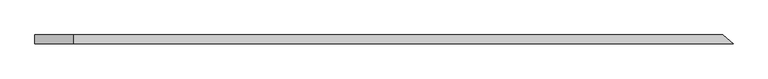
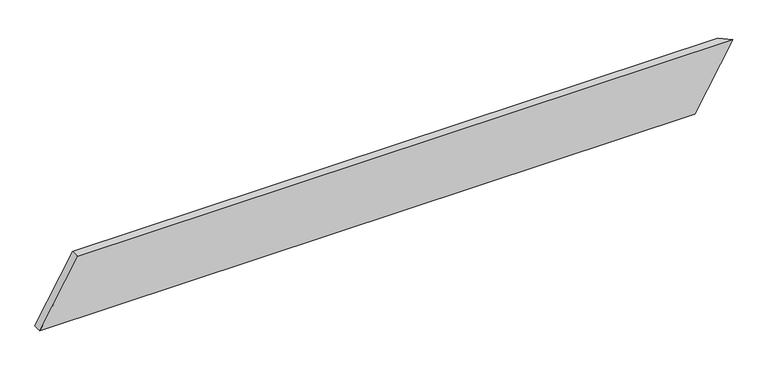
"""IFC4 building model written with IfcOpenShell, lengths in millimetres: beam geometry."""

from ifc_helpers import new_model, si_unit, origin, place, context, project, spatial, faceted_brep, source, transform, mapped, element, save


def beam_3639a0b7(model_context):
    return source(origin(), model_context, "Body", "Brep", [
        faceted_brep([(1529.9287667, -19.05, 142.875), (-1341.1870119, -19.05, 142.875), (-1507.8745119, -19.05, -142.875), (1363.2412667, -19.05, -142.875), (1485.8202571, 19.05, 142.875), (1319.1327571, 19.05, -142.875), (-1507.8745119, 19.05, -142.875), (-1341.1870119, 19.05, 142.875)], [[[0, 1, 2, 3]], [[4, 5, 6, 7]], [[5, 4, 0, 3]], [[6, 5, 3, 2]], [[7, 6, 2, 1]], [[4, 7, 1, 0]]]),
    ])


if __name__ == "__main__":
    model = new_model("IFC4")
    model_context = context("Model", 3, world=origin())
    ifc_project = project(units=[si_unit("LENGTHUNIT", "METRE", prefix="MILLI")], contexts=[model_context])
    site = spatial("IfcSite", under=ifc_project)
    building = spatial("IfcBuilding", under=site)
    placement = place(None, origin())
    beam_shape = beam_3639a0b7(model_context)
    element("IfcBeam", 1, at=placement, inside=building, context=model_context, shape_type="MappedRepresentation", body=[
        mapped(beam_shape, transform((0.0, 0.0, 0.0), x_axis=(1.0, 0.0, 0.0), y_axis=(0.0, 1.0, 0.0), z_axis=(0.0, 0.0, 1.0))),
    ])
    save(model, "model.ifc")
